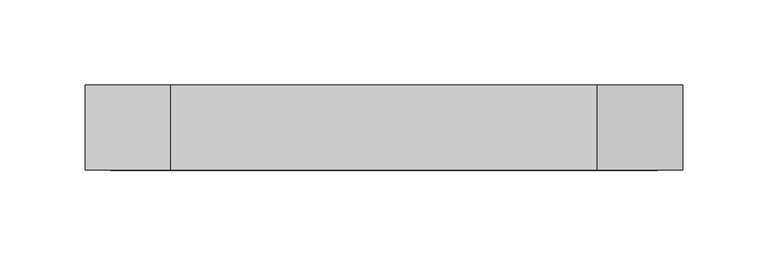
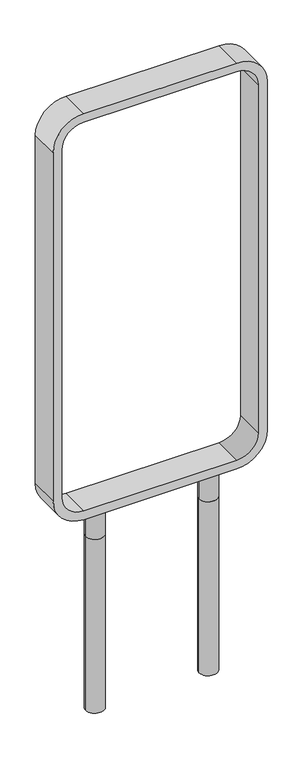
"""IFC4 building model written with IfcOpenShell, lengths in millimetres: furniture geometry."""

from ifc_helpers import new_model, si_unit, point, frame, frame_2d, origin, origin_with_axes, place, context, project, spatial, polyline, circle_curve, trimmed, segment, composite_curve, outline, extrude, source, transform, mapped, element, save


def furniture_0b0de2b8(model_context):
    return source(origin(), model_context, "Body", "SweptSolid", [
        extrude(outline(composite_curve([segment(trimmed(circle_curve(frame_2d((-92.4910193, -0.0978144)), 15.0), [point((-107.4910193, -0.0978144))], [point((-77.4910193, -0.0978144))], False, "CARTESIAN"), True, "CONTINUOUS"), segment(trimmed(circle_curve(frame_2d((-92.4910193, -0.0978144)), 15.0), [point((-77.4910193, -0.0978144))], [point((-107.4910193, -0.0978144))], False, "CARTESIAN"), True, "CONTINUOUS")], self_intersect=False)), origin_with_axes(), (0.0, 0.0, 1.0), 50.0),
        extrude(outline(composite_curve([segment(trimmed(circle_curve(frame_2d((92.4910193, -0.0978144)), 15.0), [point((107.4910193, -0.0978144))], [point((77.4910193, -0.0978144))], False, "CARTESIAN"), True, "CONTINUOUS"), segment(trimmed(circle_curve(frame_2d((92.4910193, -0.0978144)), 15.0), [point((77.4910193, -0.0978144))], [point((107.4910193, -0.0978144))], False, "CARTESIAN"), True, "CONTINUOUS")], self_intersect=False)), origin_with_axes(), (0.0, 0.0, 1.0), 50.0),
        extrude(outline(composite_curve([segment(polyline([(100.0094259, 174.9233072), (699.9624408, 174.9233072)]), True, "CONTINUOUS"), segment(trimmed(circle_curve(frame_2d((699.9624408, 124.9233072)), 50.0), [point((699.9624408, 174.9233072))], [point((749.9624408, 124.9233072))], False, "CARTESIAN"), True, "CONTINUOUS"), segment(polyline([(749.9624408, 124.9233072), (749.9624408, -124.9233072)]), True, "CONTINUOUS"), segment(trimmed(circle_curve(frame_2d((699.9624408, -124.9233072)), 50.0), [point((749.9624408, -124.9233072))], [point((699.9624408, -174.9233072))], False, "CARTESIAN"), True, "CONTINUOUS"), segment(polyline([(699.9624408, -174.9233072), (100.0094259, -174.9233072)]), True, "CONTINUOUS"), segment(trimmed(circle_curve(frame_2d((100.0094259, -124.9233072)), 50.0), [point((100.0094259, -174.9233072))], [point((50.0094259, -124.9233072))], False, "CARTESIAN"), True, "CONTINUOUS"), segment(polyline([(50.0094259, -124.9233072), (50.0094259, 124.9233072)]), True, "CONTINUOUS"), segment(trimmed(circle_curve(frame_2d((100.0094259, 124.9233072)), 50.0), [point((50.0094259, 124.9233072))], [point((100.0094259, 174.9233072))], False, "CARTESIAN"), True, "CONTINUOUS")], self_intersect=False), holes=[composite_curve([segment(polyline([(100.0094259, -159.9233072), (699.9624408, -159.9233072)]), True, "CONTINUOUS"), segment(trimmed(circle_curve(frame_2d((699.9624408, -124.9233072)), 35.0), [point((699.9624408, -159.9233072))], [point((734.9624408, -124.9233072))], True, "CARTESIAN"), True, "CONTINUOUS"), segment(polyline([(734.9624408, -124.9233072), (734.9624408, 124.9233072)]), True, "CONTINUOUS"), segment(trimmed(circle_curve(frame_2d((699.9624408, 124.9233072)), 35.0), [point((734.9624408, 124.9233072))], [point((699.9624408, 159.9233072))], True, "CARTESIAN"), True, "CONTINUOUS"), segment(polyline([(699.9624408, 159.9233072), (100.0094259, 159.9233072)]), True, "CONTINUOUS"), segment(trimmed(circle_curve(frame_2d((100.0094259, 124.9233072)), 35.0), [point((100.0094259, 159.9233072))], [point((65.0094259, 124.9233072))], True, "CARTESIAN"), True, "CONTINUOUS"), segment(polyline([(65.0094259, 124.9233072), (65.0094259, -124.9233072)]), True, "CONTINUOUS"), segment(trimmed(circle_curve(frame_2d((100.0094259, -124.9233072)), 35.0), [point((65.0094259, -124.9233072))], [point((100.0094259, -159.9233072))], True, "CARTESIAN"), True, "CONTINUOUS")], self_intersect=False)]), frame((0.0, -24.8314462, 0.0), z_axis=(0.0, 1.0, 0.0), x_axis=(0.0, 0.0, 1.0)), (0.0, 0.0, 1.0), 49.8314462),
        extrude(outline(composite_curve([segment(trimmed(circle_curve(frame_2d((92.4910193, -0.0978144)), 15.0), [point((107.4910193, -0.0978144))], [point((77.4910193, -0.0978144))], False, "CARTESIAN"), True, "CONTINUOUS"), segment(trimmed(circle_curve(frame_2d((92.4910193, -0.0978144)), 15.0), [point((77.4910193, -0.0978144))], [point((107.4910193, -0.0978144))], False, "CARTESIAN"), True, "CONTINUOUS")], self_intersect=False)), frame((0.0, 0.0, -300.0), z_axis=(0.0, 0.0, 1.0), x_axis=(1.0, 0.0, 0.0)), (0.0, 0.0, 1.0), 300.0),
        extrude(outline(composite_curve([segment(trimmed(circle_curve(frame_2d((-92.4910193, -0.0978144)), 15.0), [point((-107.4910193, -0.0978144))], [point((-77.4910193, -0.0978144))], False, "CARTESIAN"), True, "CONTINUOUS"), segment(trimmed(circle_curve(frame_2d((-92.4910193, -0.0978144)), 15.0), [point((-77.4910193, -0.0978144))], [point((-107.4910193, -0.0978144))], False, "CARTESIAN"), True, "CONTINUOUS")], self_intersect=False)), frame((0.0, 0.0, -300.0), z_axis=(0.0, 0.0, 1.0), x_axis=(1.0, 0.0, 0.0)), (0.0, 0.0, 1.0), 300.0),
    ])


if __name__ == "__main__":
    model = new_model("IFC4")
    model_context = context("Model", 3, world=origin())
    ifc_project = project(units=[si_unit("LENGTHUNIT", "METRE", prefix="MILLI")], contexts=[model_context])
    site = spatial("IfcSite", under=ifc_project)
    building = spatial("IfcBuilding", under=site)
    placement = place(None, origin())
    furniture_shape = furniture_0b0de2b8(model_context)
    element("IfcFurniture", 1, at=placement, inside=building, context=model_context, shape_type="MappedRepresentation", body=[
        mapped(furniture_shape, transform((0.0, 0.0, 0.0), x_axis=(1.0, 0.0, 0.0), y_axis=(0.0, 1.0, 0.0), z_axis=(0.0, 0.0, 1.0))),
    ])
    save(model, "model.ifc")
